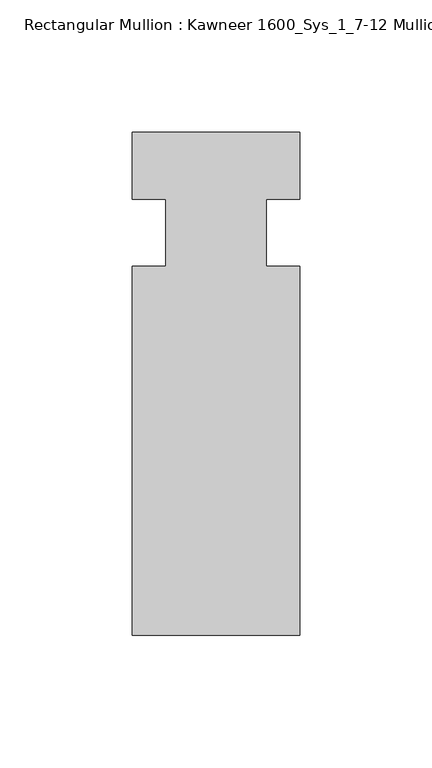
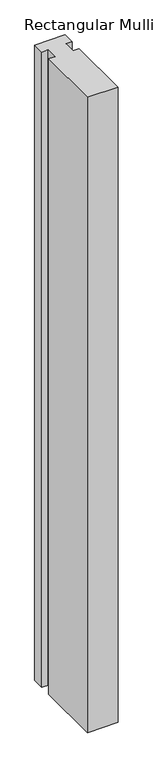
"""IFC4 building model written with IfcOpenShell, lengths in millimetres: member geometry, Rectangular Mullion : Kawneer 1600_Sys_1_7-12 Mullion_Vertical."""

from ifc_helpers import new_model, si_unit, frame, origin, place, context, project, spatial, polyline, outline, extrude, source, transform, mapped, element, save


def rectangular_mullion_kawneer_1600_sys_1_7_12_mullion_vertical_3315295a(model_context):
    return source(origin(), model_context, "Body", "SweptSolid", [
        extrude(outline(polyline([(31.75, -152.4), (-31.75, -152.4), (-31.75, -12.7), (-19.05, -12.7), (-19.05, 12.7), (-31.75, 12.7), (-31.75, 38.1), (31.75, 38.1), (31.75, 12.7), (19.0482296, 12.7), (19.0482296, -12.7), (31.75, -12.7), (31.75, -152.4)])), frame((0.0, 0.0, -1399.54), z_axis=(0.0, 0.0, 1.0), x_axis=(1.0, 0.0, 0.0)), (0.0, 0.0, 1.0), 1399.54),
    ])


if __name__ == "__main__":
    model = new_model("IFC4")
    model_context = context("Model", 3, world=origin())
    ifc_project = project(units=[si_unit("LENGTHUNIT", "METRE", prefix="MILLI")], contexts=[model_context])
    site = spatial("IfcSite", under=ifc_project)
    building = spatial("IfcBuilding", under=site)
    placement = place(None, origin())
    rectangular_mullion_kawneer_1600_sys_1_7_12_mullion_vertical_shape = rectangular_mullion_kawneer_1600_sys_1_7_12_mullion_vertical_3315295a(model_context)
    element("IfcMember", 1, ObjectType="Rectangular Mullion : Kawneer 1600_Sys_1_7-12 Mullion_Vertical", at=placement, inside=building, context=model_context, shape_type="MappedRepresentation", body=[
        mapped(rectangular_mullion_kawneer_1600_sys_1_7_12_mullion_vertical_shape, transform((0.0, 0.0, 0.0), x_axis=(1.0, 0.0, 0.0), y_axis=(0.0, 1.0, 0.0), z_axis=(0.0, 0.0, 1.0))),
    ])
    save(model, "model.ifc")
